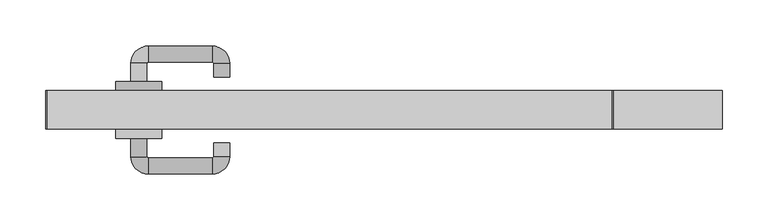
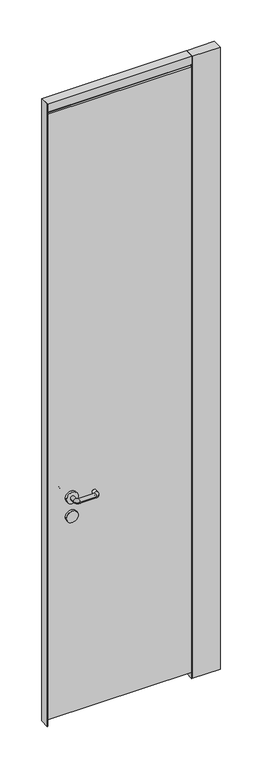
"""IFC4 building model written with IfcOpenShell, lengths in millimetres: proxy geometry."""

from ifc_helpers import new_model, si_unit, point, frame, frame_2d, origin, origin_with_axes, place, context, project, spatial, polyline, circle_curve, ellipse_curve, trimmed, segment, composite_curve, outline, extrude, source, transform, mapped, element, save
from ifc_brep_helpers import plane_surface, cylinder_surface, revolved_surface, advanced_brep


def specialty_equipment_357204bc(model_context):
    return source(origin(), model_context, "Body", "SolidModel", [
        extrude(outline(composite_curve([segment(trimmed(circle_curve(frame_2d((914.8272444, -304.0)), 25.0), [point((914.8272444, -329.0))], [point((914.8272444, -279.0))], False, "CARTESIAN"), True, "CONTINUOUS"), segment(trimmed(circle_curve(frame_2d((914.8272444, -304.0)), 25.0), [point((914.8272444, -279.0))], [point((914.8272444, -329.0))], False, "CARTESIAN"), True, "CONTINUOUS")], self_intersect=False)), frame((0.0, 42.0, 0.0), z_axis=(0.0, 1.0, 0.0), x_axis=(0.0, 0.0, 1.0)), (0.0, 0.0, 1.0), 10.0),
        advanced_brep(
        [(-295.25, 52.0, 1000.0), (-312.75, 52.0, 1000.0), (-312.75, 72.0, 1000.0), (-295.25, 72.0, 1000.0), (-294.0, 73.25, 1000.0), (-294.0, 90.75, 1000.0), (-224.0, 90.75, 1000.0), (-224.0, 73.25, 1000.0), (-222.75, 72.0, 1000.0), (-205.25, 72.0, 1000.0), (-222.75, 57.0, 1000.0), (-205.25, 57.0, 1000.0)],
        [
            (0, 1, circle_curve(frame((-304.0, 52.0, 1000.0), z_axis=(0.0, -1.0, 0.0), x_axis=(-1.0, 0.0, 0.0)), 8.75)),
            (1, 0, circle_curve(frame((-304.0, 52.0, 1000.0), z_axis=(0.0, -1.0, 0.0), x_axis=(-1.0, 0.0, 0.0)), 8.75)),
            (1, 2),
            (2, 3, circle_curve(frame((-304.0, 72.0, 1000.0), z_axis=(0.0, -1.0, 0.0), x_axis=(-1.0, 0.0, 0.0)), 8.75)),
            (3, 0),
            (3, 2, circle_curve(frame((-304.0, 72.0, 1000.0), z_axis=(0.0, -1.0, 0.0), x_axis=(-1.0, 0.0, 0.0)), 8.75)),
            (4, 3, circle_curve(frame((-294.0, 72.0, 1000.0), z_axis=(0.0, 0.0, 1.0), x_axis=(-1.0, 0.0, 0.0)), 1.25)),
            (2, 5, circle_curve(frame((-294.0, 72.0, 1000.0), z_axis=(0.0, 0.0, -1.0), x_axis=(-1.0, 0.0, 0.0)), 18.75)),
            (5, 4, circle_curve(frame((-294.0, 82.0, 1000.0), z_axis=(-1.0, 0.0, 0.0), x_axis=(0.0, 1.0, 0.0)), 8.75)),
            (4, 5, circle_curve(frame((-294.0, 82.0, 1000.0), z_axis=(-1.0, 0.0, 0.0), x_axis=(0.0, 1.0, 0.0)), 8.75)),
            (5, 6),
            (6, 7, circle_curve(frame((-224.0, 82.0, 1000.0), z_axis=(-1.0, 0.0, 0.0), x_axis=(0.0, 1.0, 0.0)), 8.75)),
            (7, 4),
            (7, 6, circle_curve(frame((-224.0, 82.0, 1000.0), z_axis=(-1.0, 0.0, 0.0), x_axis=(0.0, 1.0, 0.0)), 8.75)),
            (8, 7, circle_curve(frame((-224.0, 72.0, 1000.0), z_axis=(0.0, 0.0, 1.0), x_axis=(0.0, 1.0, 0.0)), 1.25)),
            (6, 9, circle_curve(frame((-224.0, 72.0, 1000.0), z_axis=(0.0, 0.0, -1.0), x_axis=(0.0, 1.0, 0.0)), 18.75)),
            (9, 8, circle_curve(frame((-214.0, 72.0, 1000.0), z_axis=(0.0, 1.0, 0.0), x_axis=(1.0, 0.0, 0.0)), 8.75)),
            (8, 9, circle_curve(frame((-214.0, 72.0, 1000.0), z_axis=(0.0, 1.0, 0.0), x_axis=(1.0, 0.0, 0.0)), 8.75)),
            (10, 11, circle_curve(frame((-214.0, 57.0, 1000.0), z_axis=(0.0, -1.0, 0.0), x_axis=(1.0, 0.0, 0.0)), 8.75)),
            (11, 10, circle_curve(frame((-214.0, 57.0, 1000.0), z_axis=(0.0, -1.0, 0.0), x_axis=(1.0, 0.0, 0.0)), 8.75)),
            (9, 11),
            (10, 8),
        ],
        [
            plane_surface(frame((-304.0, 52.0, 1000.0), z_axis=(0.0, -1.0, 0.0), x_axis=(0.0, 0.0, 1.0))),
            cylinder_surface(frame((-304.0, 52.0, 1000.0), z_axis=(0.0, -1.0, 0.0), x_axis=(-1.0, 0.0, 0.0)), 8.75),
            revolved_surface(trimmed(ellipse_curve(frame((-304.0, 72.0, 1000.0), z_axis=(0.0, -1.0, 0.0), x_axis=(-1.0, 0.0, 0.0)), 8.75, 8.75), [point((-312.75, 72.0, 1000.0))], [point((-295.25, 72.0, 1000.0))], True, "CARTESIAN"), (-294.0, 72.0, 1000.0), (0.0, 0.0, -1.0)),
            revolved_surface(trimmed(ellipse_curve(frame((-304.0, 72.0, 1000.0), z_axis=(0.0, -1.0, 0.0), x_axis=(-1.0, 0.0, 0.0)), 8.75, 8.75), [point((-295.25, 72.0, 1000.0))], [point((-312.75, 72.0, 1000.0))], True, "CARTESIAN"), (-294.0, 72.0, 1000.0), (0.0, 0.0, -1.0)),
            cylinder_surface(frame((-294.0, 82.0, 1000.0), z_axis=(-1.0, 0.0, 0.0), x_axis=(0.0, 1.0, 0.0)), 8.75),
            revolved_surface(trimmed(ellipse_curve(frame((-224.0, 82.0, 1000.0), z_axis=(-1.0, 0.0, 0.0), x_axis=(0.0, 1.0, 0.0)), 8.75, 8.75), [point((-224.0, 90.75, 1000.0))], [point((-224.0, 73.25, 1000.0))], True, "CARTESIAN"), (-224.0, 72.0, 1000.0), (0.0, 0.0, -1.0)),
            revolved_surface(trimmed(ellipse_curve(frame((-224.0, 82.0, 1000.0), z_axis=(-1.0, 0.0, 0.0), x_axis=(0.0, 1.0, 0.0)), 8.75, 8.75), [point((-224.0, 73.25, 1000.0))], [point((-224.0, 90.75, 1000.0))], True, "CARTESIAN"), (-224.0, 72.0, 1000.0), (0.0, 0.0, -1.0)),
            plane_surface(frame((-214.0, 57.0, 1000.0), z_axis=(0.0, -1.0, 0.0), x_axis=(0.0, 0.0, 1.0))),
            cylinder_surface(frame((-214.0, 72.0, 1000.0), z_axis=(0.0, 1.0, 0.0), x_axis=(1.0, 0.0, 0.0)), 8.75),
        ],
        [
            (0, [[1, 2]]),
            (1, [[-2, 3, 4, 5]]),
            (1, [[-1, -5, 6, -3]]),
            (2, [[7, -4, 8, 9]]),
            (3, [[-8, -6, -7, 10]]),
            (4, [[-9, 11, 12, 13]]),
            (4, [[-10, -13, 14, -11]]),
            (5, [[15, -12, 16, 17]]),
            (6, [[-16, -14, -15, 18]]),
            (7, [[19, 20]]),
            (8, [[-17, 21, -19, 22]]),
            (8, [[-18, -22, -20, -21]]),
        ],
    ),
        extrude(outline(composite_curve([segment(trimmed(circle_curve(frame_2d((1000.0, -304.0)), 25.0), [point((1000.0, -329.0))], [point((1000.0, -279.0))], False, "CARTESIAN"), True, "CONTINUOUS"), segment(trimmed(circle_curve(frame_2d((1000.0, -304.0)), 25.0), [point((1000.0, -279.0))], [point((1000.0, -329.0))], False, "CARTESIAN"), True, "CONTINUOUS")], self_intersect=False)), frame((0.0, 42.0, 0.0), z_axis=(0.0, 1.0, 0.0), x_axis=(0.0, 0.0, 1.0)), (0.0, 0.0, 1.0), 10.0),
        extrude(outline(composite_curve([segment(trimmed(circle_curve(frame_2d((914.8272444, -304.0)), 25.0), [point((914.8272444, -329.0))], [point((914.8272444, -279.0))], False, "CARTESIAN"), True, "CONTINUOUS"), segment(trimmed(circle_curve(frame_2d((914.8272444, -304.0)), 25.0), [point((914.8272444, -279.0))], [point((914.8272444, -329.0))], False, "CARTESIAN"), True, "CONTINUOUS")], self_intersect=False)), frame((0.0, -10.0, 0.0), z_axis=(0.0, 1.0, 0.0), x_axis=(0.0, 0.0, 1.0)), (0.0, 0.0, 1.0), 10.0),
        advanced_brep(
        [(-312.75, -10.0, 1000.0), (-295.25, -10.0, 1000.0), (-312.75, -30.0, 1000.0), (-295.25, -30.0, 1000.0), (-294.0, -31.25, 1000.0), (-294.0, -48.75, 1000.0), (-224.0, -48.75, 1000.0), (-224.0, -31.25, 1000.0), (-222.75, -30.0, 1000.0), (-205.25, -30.0, 1000.0), (-205.25, -15.0, 1000.0), (-222.75, -15.0, 1000.0)],
        [
            (0, 1, circle_curve(frame((-304.0, -10.0, 1000.0), z_axis=(0.0, 1.0, 0.0), x_axis=(1.0, 0.0, 0.0)), 8.75)),
            (1, 0, circle_curve(frame((-304.0, -10.0, 1000.0), z_axis=(0.0, 1.0, 0.0), x_axis=(1.0, 0.0, 0.0)), 8.75)),
            (0, 2),
            (2, 3, circle_curve(frame((-304.0, -30.0, 1000.0), z_axis=(0.0, 1.0, 0.0), x_axis=(1.0, 0.0, 0.0)), 8.75)),
            (3, 1),
            (3, 2, circle_curve(frame((-304.0, -30.0, 1000.0), z_axis=(0.0, 1.0, 0.0), x_axis=(1.0, 0.0, 0.0)), 8.75)),
            (4, 3, circle_curve(frame((-294.0, -30.0, 1000.0), z_axis=(0.0, 0.0, -1.0), x_axis=(-1.0, 0.0, 0.0)), 1.25)),
            (2, 5, circle_curve(frame((-294.0, -30.0, 1000.0), z_axis=(0.0, 0.0, 1.0), x_axis=(-1.0, 0.0, 0.0)), 18.75)),
            (5, 4, circle_curve(frame((-294.0, -40.0, 1000.0), z_axis=(-1.0, 0.0, 0.0), x_axis=(0.0, 1.0, 0.0)), 8.75)),
            (4, 5, circle_curve(frame((-294.0, -40.0, 1000.0), z_axis=(-1.0, 0.0, 0.0), x_axis=(0.0, 1.0, 0.0)), 8.75)),
            (5, 6),
            (6, 7, circle_curve(frame((-224.0, -40.0, 1000.0), z_axis=(-1.0, 0.0, 0.0), x_axis=(0.0, 1.0, 0.0)), 8.75)),
            (7, 4),
            (7, 6, circle_curve(frame((-224.0, -40.0, 1000.0), z_axis=(-1.0, 0.0, 0.0), x_axis=(0.0, 1.0, 0.0)), 8.75)),
            (8, 7, circle_curve(frame((-224.0, -30.0, 1000.0), z_axis=(0.0, 0.0, -1.0), x_axis=(0.0, -1.0, 0.0)), 1.25)),
            (6, 9, circle_curve(frame((-224.0, -30.0, 1000.0), z_axis=(0.0, 0.0, 1.0), x_axis=(0.0, -1.0, 0.0)), 18.75)),
            (9, 8, circle_curve(frame((-214.0, -30.0, 1000.0), z_axis=(0.0, -1.0, 0.0), x_axis=(-1.0, 0.0, 0.0)), 8.75)),
            (8, 9, circle_curve(frame((-214.0, -30.0, 1000.0), z_axis=(0.0, -1.0, 0.0), x_axis=(-1.0, 0.0, 0.0)), 8.75)),
            (10, 11, circle_curve(frame((-214.0, -15.0, 1000.0), z_axis=(0.0, 1.0, 0.0), x_axis=(-1.0, 0.0, 0.0)), 8.75)),
            (11, 10, circle_curve(frame((-214.0, -15.0, 1000.0), z_axis=(0.0, 1.0, 0.0), x_axis=(-1.0, 0.0, 0.0)), 8.75)),
            (9, 10),
            (11, 8),
        ],
        [
            plane_surface(frame((-304.0, -10.0, 1000.0), z_axis=(0.0, 1.0, 0.0), x_axis=(0.0, 0.0, 1.0))),
            cylinder_surface(frame((-304.0, -10.0, 1000.0), z_axis=(0.0, 1.0, 0.0), x_axis=(1.0, 0.0, 0.0)), 8.75),
            revolved_surface(trimmed(ellipse_curve(frame((-304.0, -30.0, 1000.0), z_axis=(0.0, 1.0, 0.0), x_axis=(1.0, 0.0, 0.0)), 8.75, 8.75), [point((-312.75, -30.0, 1000.0))], [point((-295.25, -30.0, 1000.0))], True, "CARTESIAN"), (-294.0, -30.0, 1000.0), (0.0, 0.0, 1.0)),
            revolved_surface(trimmed(ellipse_curve(frame((-304.0, -30.0, 1000.0), z_axis=(0.0, 1.0, 0.0), x_axis=(1.0, 0.0, 0.0)), 8.75, 8.75), [point((-295.25, -30.0, 1000.0))], [point((-312.75, -30.0, 1000.0))], True, "CARTESIAN"), (-294.0, -30.0, 1000.0), (0.0, 0.0, 1.0)),
            cylinder_surface(frame((-294.0, -40.0, 1000.0), z_axis=(-1.0, 0.0, 0.0), x_axis=(0.0, 1.0, 0.0)), 8.75),
            revolved_surface(trimmed(ellipse_curve(frame((-224.0, -40.0, 1000.0), z_axis=(-1.0, 0.0, 0.0), x_axis=(0.0, 1.0, 0.0)), 8.75, 8.75), [point((-224.0, -48.75, 1000.0))], [point((-224.0, -31.25, 1000.0))], True, "CARTESIAN"), (-224.0, -30.0, 1000.0), (0.0, 0.0, 1.0)),
            revolved_surface(trimmed(ellipse_curve(frame((-224.0, -40.0, 1000.0), z_axis=(-1.0, 0.0, 0.0), x_axis=(0.0, 1.0, 0.0)), 8.75, 8.75), [point((-224.0, -31.25, 1000.0))], [point((-224.0, -48.75, 1000.0))], True, "CARTESIAN"), (-224.0, -30.0, 1000.0), (0.0, 0.0, 1.0)),
            plane_surface(frame((-214.0, -15.0, 1000.0), z_axis=(0.0, 1.0, 0.0), x_axis=(0.0, 0.0, 1.0))),
            cylinder_surface(frame((-214.0, -30.0, 1000.0), z_axis=(0.0, -1.0, 0.0), x_axis=(-1.0, 0.0, 0.0)), 8.75),
        ],
        [
            (0, [[1, 2]]),
            (1, [[-1, 3, 4, 5]]),
            (1, [[-2, -5, 6, -3]]),
            (2, [[7, -4, 8, 9]]),
            (3, [[-8, -6, -7, 10]]),
            (4, [[-9, 11, 12, 13]]),
            (4, [[-10, -13, 14, -11]]),
            (5, [[15, -12, 16, 17]]),
            (6, [[-16, -14, -15, 18]]),
            (7, [[19, 20]]),
            (8, [[-17, 21, -20, 22]]),
            (8, [[-18, -22, -19, -21]]),
        ],
    ),
        extrude(outline(composite_curve([segment(trimmed(circle_curve(frame_2d((1000.0, -304.0)), 25.0), [point((1000.0, -329.0))], [point((1000.0, -279.0))], False, "CARTESIAN"), True, "CONTINUOUS"), segment(trimmed(circle_curve(frame_2d((1000.0, -304.0)), 25.0), [point((1000.0, -279.0))], [point((1000.0, -329.0))], False, "CARTESIAN"), True, "CONTINUOUS")], self_intersect=False)), frame((0.0, -10.0, 0.0), z_axis=(0.0, 1.0, 0.0), x_axis=(0.0, 0.0, 1.0)), (0.0, 0.0, 1.0), 10.0),
        extrude(outline(polyline([(211.0, 0.0), (-404.0, 0.0), (-404.0, 42.0), (211.0, 42.0), (211.0, 0.0)])), frame((0.0, 0.0, 2762.0), z_axis=(0.0, 0.0, 1.0), x_axis=(1.0, 0.0, 0.0)), (0.0, 0.0, 1.0), 1.3),
        extrude(outline(polyline([(211.0, 0.0), (-404.0, 0.0), (-404.0, 42.0), (211.0, 42.0), (211.0, 0.0)])), frame((0.0, 0.0, 2763.3), z_axis=(0.0, 0.0, 1.0), x_axis=(1.0, 0.0, 0.0)), (0.0, 0.0, 1.0), 36.7),
        extrude(outline(polyline([(-402.7, 42.0), (-402.7, 0.0), (-404.0, 0.0), (-404.0, 42.0), (-402.7, 42.0)])), frame((0.0, 0.0, 30.0), z_axis=(0.0, 0.0, 1.0), x_axis=(1.0, 0.0, 0.0)), (0.0, 0.0, 1.0), 2724.5),
        extrude(outline(polyline([(209.7, 42.0), (211.0, 42.0), (211.0, 0.0), (209.7, 0.0), (209.7, 42.0)])), frame((0.0, 0.0, 30.0), z_axis=(0.0, 0.0, 1.0), x_axis=(1.0, 0.0, 0.0)), (0.0, 0.0, 1.0), 2724.5),
        extrude(outline(polyline([(209.7, 42.0), (209.7, 0.0), (-402.7, 0.0), (-402.7, 42.0), (209.7, 42.0)])), frame((0.0, 0.0, 30.0), z_axis=(0.0, 0.0, 1.0), x_axis=(1.0, 0.0, 0.0)), (0.0, 0.0, 1.0), 2724.5),
        extrude(outline(polyline([(-405.3, 42.0), (-404.0, 42.0), (-404.0, 0.0), (-405.3, 0.0), (-405.3, 42.0)])), origin_with_axes(), (0.0, 0.0, 1.0), 2800.0),
        extrude(outline(polyline([(212.3, 42.0), (212.3, 0.0), (211.0, 0.0), (211.0, 42.0), (212.3, 42.0)])), origin_with_axes(), (0.0, 0.0, 1.0), 2800.0),
        extrude(outline(polyline([(331.0, 0.0), (212.3, 0.0), (212.3, 42.0), (331.0, 42.0), (331.0, 0.0)])), origin_with_axes(), (0.0, 0.0, 1.0), 2800.0),
    ])


if __name__ == "__main__":
    model = new_model("IFC4")
    model_context = context("Model", 3, world=origin())
    ifc_project = project(units=[si_unit("LENGTHUNIT", "METRE", prefix="MILLI")], contexts=[model_context])
    site = spatial("IfcSite", under=ifc_project)
    building = spatial("IfcBuilding", under=site)
    placement = place(None, origin())
    specialty_equipment_shape = specialty_equipment_357204bc(model_context)
    element("IfcBuildingElementProxy", 1, Name="Specialty Equipment", at=placement, inside=building, context=model_context, shape_type="MappedRepresentation", body=[
        mapped(specialty_equipment_shape, transform((0.0, 0.0, 0.0), x_axis=(1.0, 0.0, 0.0), y_axis=(0.0, 1.0, 0.0), z_axis=(0.0, 0.0, 1.0))),
    ])
    save(model, "model.ifc")
